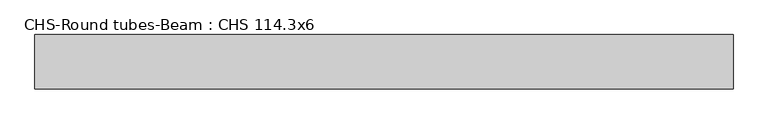
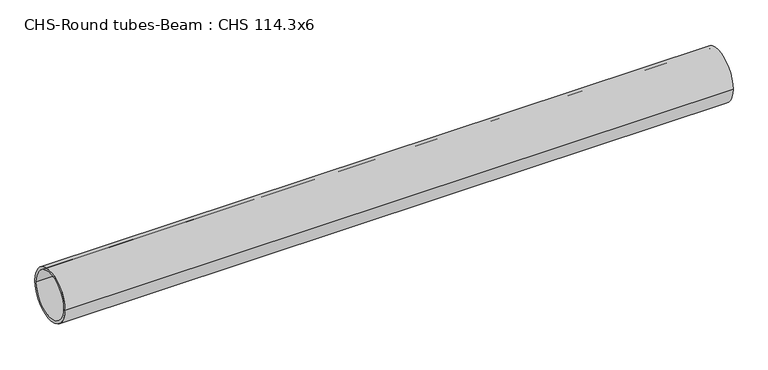
"""IFC4 building model written with IfcOpenShell, lengths in millimetres: beam geometry, CHS-Round tubes-Beam : CHS 114.3x6."""

from ifc_helpers import new_model, si_unit, point, frame, origin, origin_2d, place, context, project, spatial, circle_curve, trimmed, segment, composite_curve, outline, extrude, source, transform, mapped, element, save


def chs_round_tubes_beam_chs_114_3x6_2ce71eb6(model_context):
    return source(origin(), model_context, "Body", "SweptSolid", [
        extrude(outline(composite_curve([segment(trimmed(circle_curve(origin_2d(), 57.15), [point((57.15, 0.0))], [point((-57.15, 0.0))], False, "CARTESIAN"), True, "CONTINUOUS"), segment(trimmed(circle_curve(origin_2d(), 57.15), [point((-57.15, 0.0))], [point((57.15, 0.0))], False, "CARTESIAN"), True, "CONTINUOUS")], self_intersect=False), holes=[composite_curve([segment(trimmed(circle_curve(origin_2d(), 51.15), [point((51.15, 0.0))], [point((-51.15, 0.0))], True, "CARTESIAN"), True, "CONTINUOUS"), segment(trimmed(circle_curve(origin_2d(), 51.15), [point((-51.15, 0.0))], [point((51.15, 0.0))], True, "CARTESIAN"), True, "CONTINUOUS")], self_intersect=False)]), frame((-759.929182, 0.0, 0.0), z_axis=(1.0, 0.0, 0.0), x_axis=(0.0, 1.0, 0.0)), (0.0, 0.0, 1.0), 1470.1866271),
    ])


if __name__ == "__main__":
    model = new_model("IFC4")
    model_context = context("Model", 3, world=origin())
    ifc_project = project(units=[si_unit("LENGTHUNIT", "METRE", prefix="MILLI")], contexts=[model_context])
    site = spatial("IfcSite", under=ifc_project)
    building = spatial("IfcBuilding", under=site)
    placement = place(None, origin())
    chs_round_tubes_beam_chs_114_3x6_shape = chs_round_tubes_beam_chs_114_3x6_2ce71eb6(model_context)
    element("IfcBeam", 1, ObjectType="CHS-Round tubes-Beam : CHS 114.3x6", at=placement, inside=building, context=model_context, shape_type="MappedRepresentation", body=[
        mapped(chs_round_tubes_beam_chs_114_3x6_shape, transform((0.0, 0.0, 0.0), x_axis=(1.0, 0.0, 0.0), y_axis=(0.0, 1.0, 0.0), z_axis=(0.0, 0.0, 1.0))),
    ])
    save(model, "model.ifc")
